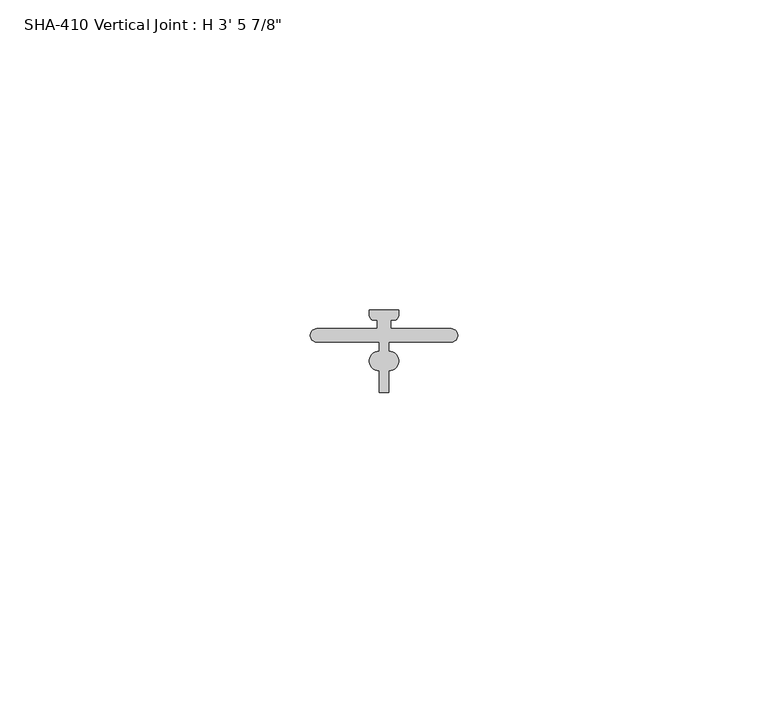
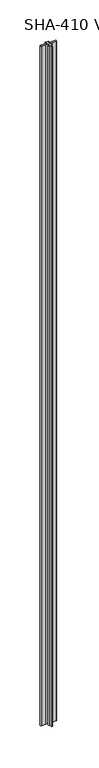
"""IFC4 building model written with IfcOpenShell, lengths in millimetres: proxy geometry."""

from ifc_helpers import new_model, si_unit, point, frame_2d, origin, origin_with_axes, place, context, project, spatial, polyline, circle_curve, trimmed, segment, composite_curve, outline, extrude, source, transform, mapped, element, save


def proxy_66f3848e(model_context):
    return source(origin(), model_context, "Body", "SweptSolid", [
        extrude(outline(composite_curve([segment(trimmed(circle_curve(frame_2d((11.0998, 0.522225)), 1.5748001), [point((11.0995466, -1.0525751))], [point((11.0995466, 2.097025))], False, "CARTESIAN"), True, "CONTINUOUS"), segment(polyline([(11.0995466, 2.097025), (11.0995466, 3.582925), (7.2987956, 3.582925), (1.0668, 3.582925)]), True, "CONTINUOUS"), segment(trimmed(circle_curve(frame_2d((1.0668, 4.649725)), 1.0668), [point((1.0668, 3.582925))], [point((1.0668, 5.716525))], False, "CARTESIAN"), True, "CONTINUOUS"), segment(polyline([(1.0668, 5.716525), (7.2987956, 5.716525), (10.8204001, 5.716525), (10.8204001, 7.1440039), (9.9969026, 7.1440039)]), True, "CONTINUOUS"), segment(trimmed(circle_curve(frame_2d((10.4324294, 7.9400846)), 0.9074294), [point((9.9969026, 7.1440039))], [point((9.525, 7.9400846))], False, "CARTESIAN"), True, "CONTINUOUS"), segment(polyline([(9.525, 7.9400846), (9.525, 8.7315039), (11.8872001, 8.7315039), (14.2494004, 8.7315039), (14.2494004, 7.9400846)]), True, "CONTINUOUS"), segment(trimmed(circle_curve(frame_2d((13.3419707, 7.9400846)), 0.9074294), [point((14.2494004, 7.9400846))], [point((13.7774976, 7.1440039))], False, "CARTESIAN"), True, "CONTINUOUS"), segment(polyline([(13.7774976, 7.1440039), (12.9540001, 7.1440039), (12.9540001, 5.716525), (16.4756045, 5.716525), (22.7076003, 5.716525)]), True, "CONTINUOUS"), segment(trimmed(circle_curve(frame_2d((22.7076003, 4.649725)), 1.0668), [point((22.7076003, 5.716525))], [point((22.7076003, 3.582925))], False, "CARTESIAN"), True, "CONTINUOUS"), segment(polyline([(22.7076003, 3.582925), (16.4756045, 3.582925), (12.6748538, 3.582925), (12.6748538, 2.097025)]), True, "CONTINUOUS"), segment(trimmed(circle_curve(frame_2d((12.6746003, 0.522225)), 1.5748001), [point((12.6748538, 2.097025))], [point((12.6748537, -1.0525751))], False, "CARTESIAN"), True, "CONTINUOUS"), segment(polyline([(12.6748537, -1.0525751), (12.6748537, -4.557775), (11.0995466, -4.557775), (11.0995466, -1.0525751)]), True, "CONTINUOUS")], self_intersect=False)), origin_with_axes(), (0.0, 0.0, 1.0), 1063.625),
    ])


if __name__ == "__main__":
    model = new_model("IFC4")
    model_context = context("Model", 3, world=origin())
    ifc_project = project(units=[si_unit("LENGTHUNIT", "METRE", prefix="MILLI")], contexts=[model_context])
    site = spatial("IfcSite", under=ifc_project)
    building = spatial("IfcBuilding", under=site)
    placement = place(None, origin())
    proxy_shape = proxy_66f3848e(model_context)
    element("IfcBuildingElementProxy", 1, Name="SHA-410 Vertical Joint : H 3' 5 7/8\"", ObjectType="SHA-410 Vertical Joint : H 3' 5 7/8\"", at=placement, inside=building, context=model_context, shape_type="MappedRepresentation", body=[
        mapped(proxy_shape, transform((0.0, 0.0, 0.0), x_axis=(1.0, 0.0, 0.0), y_axis=(0.0, 1.0, 0.0), z_axis=(0.0, 0.0, 1.0))),
    ])
    save(model, "model.ifc")
